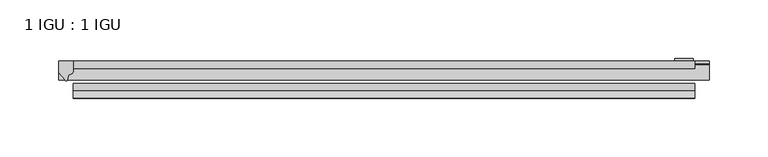
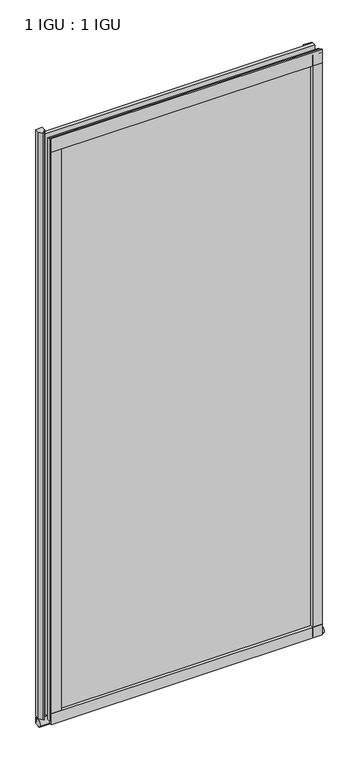
"""IFC4 building model written with IfcOpenShell, lengths in millimetres: plate geometry, 1 IGU : 1 IGU."""

from ifc_helpers import new_model, si_unit, point, frame, frame_2d, origin, place, context, project, spatial, polyline, circle_curve, ellipse_curve, trimmed, segment, composite_curve, outline, extrude, source, transform, mapped, element, save
from ifc_brep_helpers import plane_surface, revolved_surface, extruded_surface, advanced_brep


def plate_1_igu_1_igu_abfd72d6(model_context):
    return source(origin(), model_context, "Body", "SolidModel", [
        extrude(outline(polyline([(265.11885, 0.0021347), (265.11885, -6.2992), (-265.11885, -6.2992), (-265.11885, 0.0021347), (265.11885, 0.0021347)])), frame((0.0, 0.0, -19.05), z_axis=(0.0, 0.0, 1.0), x_axis=(1.0, 0.0, 0.0)), (0.0, 0.0, 1.0), 1203.325),
        extrude(outline(polyline([(-265.11885, -19.0986653), (265.11885, -19.0986653), (265.11885, -25.3978653), (-265.11885, -25.3978653), (-265.11885, -19.0986653)])), frame((0.0, 0.0, -19.05), z_axis=(0.0, 0.0, 1.0), x_axis=(1.0, 0.0, 0.0)), (0.0, 0.0, 1.0), 1203.325),
        advanced_brep(
        [(277.81885, -2.9334208, -29.3692082), (277.81885, -15.7658436, -30.8313288), (277.81885, -6.7904952, -34.925), (277.81885, 0.0, -34.925), (277.81885, 0.0, -22.225), (277.81885, -2.5187477, -22.225), (-277.81885, -2.9073519, -29.3720514), (-277.81885, -2.5187477, -22.225), (-277.81885, 0.0, -22.225), (-277.81885, 0.0, -34.925), (-277.81885, -6.7904952, -34.925), (-277.81885, -15.7658436, -30.8313288)],
        [
            (0, 1, ellipse_curve(frame((277.81885, -9.5065066, -28.575), z_axis=(1.0, 0.0, 0.0), x_axis=(0.0, 0.0, -1.0)), 6.9638038, 6.6162554)),
            (1, 2, ellipse_curve(frame((277.81885, -9.5065066, -28.575), z_axis=(1.0, 0.0, 0.0), x_axis=(0.0, 0.0, -1.0)), 6.9638038, 6.6162554)),
            (2, 3),
            (3, 4, circle_curve(frame((277.81885, 24.1576838, -28.575), z_axis=(-1.0, 0.0, 0.0), x_axis=(0.0, 0.0, 1.0)), 24.9783143)),
            (4, 5),
            (5, 0, circle_curve(frame((277.81885, -68.4358767, -22.225), z_axis=(-1.0, 0.0, 0.0), x_axis=(0.0, 0.0, 1.0)), 65.917129)),
            (6, 7, circle_curve(frame((-277.81885, -68.4358767, -22.225), z_axis=(1.0, 0.0, 0.0), x_axis=(0.0, 0.0, 1.0)), 65.917129)),
            (7, 8),
            (8, 9, circle_curve(frame((-277.81885, 24.1576838, -28.575), z_axis=(1.0, 0.0, 0.0), x_axis=(0.0, 0.0, 1.0)), 24.9783143)),
            (9, 10),
            (10, 11, ellipse_curve(frame((-277.81885, -9.5065066, -28.575), z_axis=(-1.0, 0.0, 0.0), x_axis=(0.0, 0.0, -1.0)), 6.9638038, 6.6162554)),
            (11, 6, ellipse_curve(frame((-277.81885, -9.5065066, -28.575), z_axis=(-1.0, 0.0, 0.0), x_axis=(0.0, 0.0, -1.0)), 6.9638038, 6.6162554)),
            (0, 6),
            (11, 1),
            (10, 2),
            (9, 3),
            (8, 4),
            (7, 5),
        ],
        [
            plane_surface(frame((277.81885, 0.0, -28.575), z_axis=(1.0, 0.0, 0.0), x_axis=(0.0, 1.0, 0.0))),
            plane_surface(frame((-277.81885, 0.0, -28.575), z_axis=(-1.0, 0.0, 0.0), x_axis=(0.0, 1.0, 0.0))),
            extruded_surface(trimmed(ellipse_curve(frame((-277.81885, -9.5065066, -28.575), z_axis=(1.0, 0.0, 0.0), x_axis=(0.0, 0.0, -1.0)), 6.9638038, 6.6162554), [point((-277.81885, -2.9334208, -29.3692082))], [point((-277.81885, -15.7658436, -30.8313288))], True, "CARTESIAN"), (555.6377, 0.0, 0.0), 555.6377),
            extruded_surface(trimmed(ellipse_curve(frame((-277.81885, -9.5065066, -28.575), z_axis=(1.0, 0.0, 0.0), x_axis=(0.0, 0.0, -1.0)), 6.9638038, 6.6162554), [point((-277.81885, -15.7658436, -30.8313288))], [point((-277.81885, -6.7904952, -34.925))], True, "CARTESIAN"), (555.6377, 0.0, 0.0), 555.6377),
            plane_surface(frame((277.81885, -6.7904952, -34.925), z_axis=(0.0, 0.0, -1.0), x_axis=(-1.0, 0.0, 0.0))),
            revolved_surface(polyline([(-277.81885, 24.1576838, -3.5966856999999983), (277.81885, 24.1576838, -3.5966856999999983)]), (277.81885, 24.1576838, -28.575), (-1.0, 0.0, 0.0)),
            plane_surface(frame((277.81885, 0.0, -22.225), z_axis=(0.0, 0.0, 1.0), x_axis=(-1.0, 0.0, 0.0))),
            revolved_surface(polyline([(-277.81885, -68.4358767, 43.692129), (277.81885, -68.4358767, 43.692129)]), (277.81885, -68.4358767, -22.225), (-1.0, 0.0, 0.0)),
        ],
        [
            (0, [[1, 2, 3, 4, 5, 6]]),
            (1, [[7, 8, 9, 10, 11, 12]]),
            (2, [[-1, 13, -12, 14]]),
            (3, [[-2, -14, -11, 15]]),
            (4, [[-3, -15, -10, 16]]),
            (5, [[-4, -16, -9, 17]]),
            (6, [[-5, -17, -8, 18]]),
            (7, [[-6, -18, -7, -13]]),
        ],
    ),
        extrude(outline(composite_curve([segment(polyline([(-265.11885, 8.8e-06), (-265.11885, -7.7683362)]), True, "CONTINUOUS"), segment(trimmed(circle_curve(frame_2d((-269.0903479, -7.7683362)), 3.9714979), [point((-265.11885, -7.7683362))], [point((-269.2177998, -11.7377885))], False, "CARTESIAN"), True, "CONTINUOUS"), segment(polyline([(-269.2177998, -11.7377885), (-270.1978343, -16.012436)]), True, "CONTINUOUS"), segment(trimmed(circle_curve(frame_2d((-271.2990433, -15.7723555)), 1.1270758), [point((-270.1978343, -16.012436))], [point((-272.2528827, -16.372764))], False, "CARTESIAN"), True, "CONTINUOUS"), segment(polyline([(-272.2528827, -16.372764), (-277.81885, -9.7395025), (-277.81885, 8.8e-06), (-265.11885, 8.8e-06)]), True, "CONTINUOUS")], self_intersect=False)), frame((0.0, 0.0, -19.05), z_axis=(0.0, 0.0, 1.0), x_axis=(1.0, 0.0, 0.0)), (0.0, 0.0, 1.0), 1213.6374),
        extrude(outline(composite_curve([segment(polyline([(-31.75, 0.0), (-25.4, 0.0), (-25.4, -22.225)]), True, "CONTINUOUS"), segment(trimmed(circle_curve(frame_2d((-28.575, -28.9113452)), 7.4018806), [point((-25.4, -22.225))], [point((-31.75, -22.225))], True, "CARTESIAN"), True, "CONTINUOUS"), segment(polyline([(-31.75, -22.225), (-31.75, 0.0)]), True, "CONTINUOUS")], self_intersect=False)), frame((-265.11885, 0.0, 0.0), z_axis=(1.0, 0.0, 0.0), x_axis=(0.0, 1.0, 0.0)), (0.0, 0.0, 1.0), 530.2377),
        extrude(outline(composite_curve([segment(polyline([(-25.4, 1187.45), (-25.4, 1162.05), (-31.75, 1162.05), (-31.75, 1190.2228973)]), True, "CONTINUOUS"), segment(trimmed(circle_curve(frame_2d((-24.1401272, 1198.9924115)), 11.6109665), [point((-31.75, 1190.2228973))], [point((-25.4, 1187.45))], True, "CARTESIAN"), True, "CONTINUOUS")], self_intersect=False)), frame((-265.11885, 0.0, 0.0), z_axis=(1.0, 0.0, 0.0), x_axis=(0.0, 1.0, 0.0)), (0.0, 0.0, 1.0), 530.2377),
        extrude(outline(composite_curve([segment(polyline([(246.06885, -25.4), (265.11885, -25.4)]), True, "CONTINUOUS"), segment(trimmed(circle_curve(frame_2d((274.5850007, -28.575)), 9.9844196), [point((265.11885, -25.4))], [point((265.11885, -31.75))], True, "CARTESIAN"), True, "CONTINUOUS"), segment(polyline([(265.11885, -31.75), (246.06885, -31.75), (246.06885, -25.4)]), True, "CONTINUOUS")], self_intersect=False)), frame((0.0, 0.0, -19.05), z_axis=(0.0, 0.0, 1.0), x_axis=(1.0, 0.0, 0.0)), (0.0, 0.0, 1.0), 1203.325),
        extrude(outline(polyline([(263.91235, 2.2860088), (263.91235, 0.0021347), (248.03735, 0.0021347), (248.03735, 2.2860088), (263.91235, 2.2860088)])), frame((0.0, 0.0, -19.05), z_axis=(0.0, 0.0, 1.0), x_axis=(1.0, 0.0, 0.0)), (0.0, 0.0, 1.0), 1203.325),
        extrude(outline(composite_curve([segment(trimmed(circle_curve(frame_2d((-274.5850007, -28.575)), 9.9844196), [point((-265.11885, -31.75))], [point((-265.11885, -25.4))], True, "CARTESIAN"), True, "CONTINUOUS"), segment(polyline([(-265.11885, -25.4), (-246.06885, -25.4), (-246.06885, -31.75), (-265.11885, -31.75)]), True, "CONTINUOUS")], self_intersect=False)), frame((0.0, 0.0, -19.05), z_axis=(0.0, 0.0, 1.0), x_axis=(1.0, 0.0, 0.0)), (0.0, 0.0, 1.0), 1203.325),
    ])


if __name__ == "__main__":
    model = new_model("IFC4")
    model_context = context("Model", 3, world=origin())
    ifc_project = project(units=[si_unit("LENGTHUNIT", "METRE", prefix="MILLI")], contexts=[model_context])
    site = spatial("IfcSite", under=ifc_project)
    building = spatial("IfcBuilding", under=site)
    placement = place(None, origin())
    plate_1_igu_1_igu_shape = plate_1_igu_1_igu_abfd72d6(model_context)
    element("IfcPlate", 1, ObjectType="1 IGU : 1 IGU", at=placement, inside=building, context=model_context, shape_type="MappedRepresentation", body=[
        mapped(plate_1_igu_1_igu_shape, transform((0.0, 0.0, 0.0), x_axis=(1.0, 0.0, 0.0), y_axis=(0.0, 1.0, 0.0), z_axis=(0.0, 0.0, 1.0))),
    ])
    save(model, "model.ifc")
